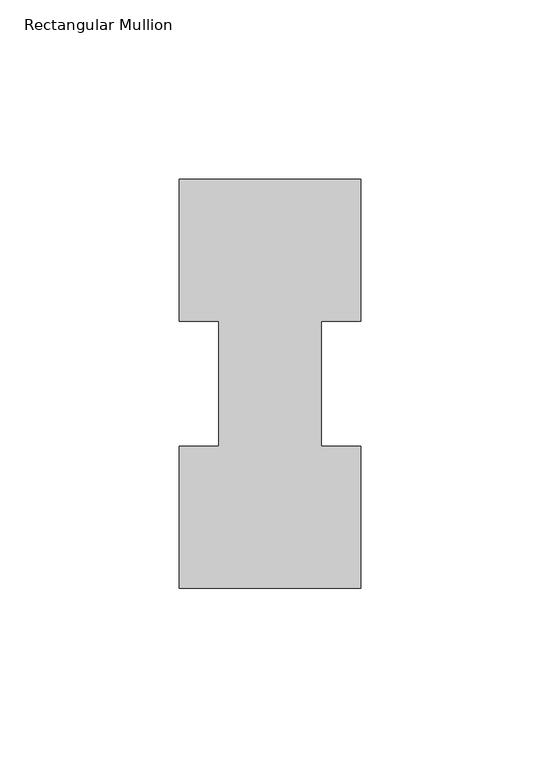
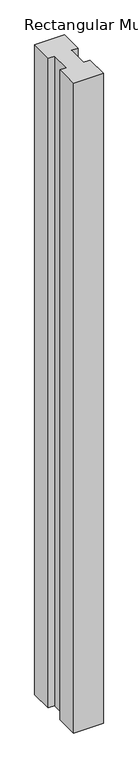
"""IFC4 building model written with IfcOpenShell, lengths in millimetres: member geometry, Rectangular Mullion."""

from ifc_helpers import new_model, si_unit, frame, origin, place, context, project, spatial, polyline, outline, extrude, source, transform, mapped, element, save


def rectangular_mullion_99240435(model_context):
    return source(origin(), model_context, "Body", "SweptSolid", [
        extrude(outline(polyline([(25.4, 114.271425), (25.4, 74.5983181), (14.2875, 74.5983181), (14.2875, 39.6445317), (25.4, 39.6445317), (25.4, -0.028575), (-25.4, -0.028575), (-25.4, 39.646225), (-14.2875, 39.646225), (-14.2875, 74.596625), (-25.4, 74.596625), (-25.4, 114.271425), (25.4, 114.271425)])), frame((0.0, 0.0, -1168.4), z_axis=(0.0, 0.0, 1.0), x_axis=(1.0, 0.0, 0.0)), (0.0, 0.0, 1.0), 1168.4),
    ])


if __name__ == "__main__":
    model = new_model("IFC4")
    model_context = context("Model", 3, world=origin())
    ifc_project = project(units=[si_unit("LENGTHUNIT", "METRE", prefix="MILLI")], contexts=[model_context])
    site = spatial("IfcSite", under=ifc_project)
    building = spatial("IfcBuilding", under=site)
    placement = place(None, origin())
    rectangular_mullion_shape = rectangular_mullion_99240435(model_context)
    element("IfcMember", 1, ObjectType="Rectangular Mullion", at=placement, inside=building, context=model_context, shape_type="MappedRepresentation", body=[
        mapped(rectangular_mullion_shape, transform((0.0, 0.0, 0.0), x_axis=(1.0, 0.0, 0.0), y_axis=(0.0, 1.0, 0.0), z_axis=(0.0, 0.0, 1.0))),
    ])
    save(model, "model.ifc")
